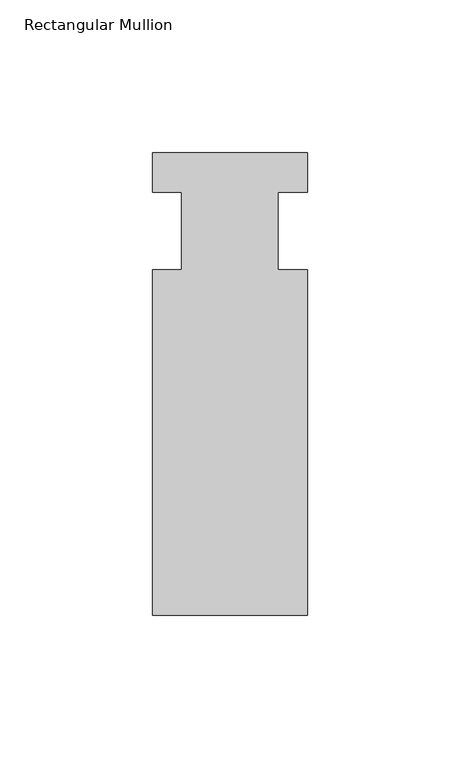
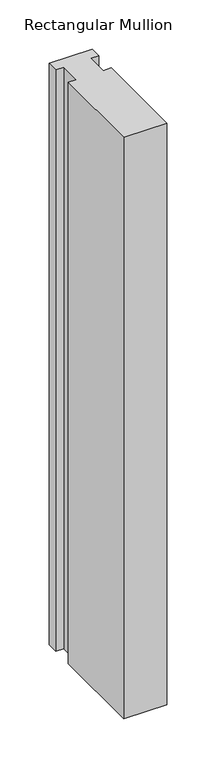
"""IFC4 building model written with IfcOpenShell, lengths in millimetres: member geometry, Rectangular Mullion."""

from ifc_helpers import new_model, si_unit, frame, origin, place, context, project, spatial, polyline, outline, extrude, source, transform, mapped, element, save


def rectangular_mullion_07bcb17e(model_context):
    return source(origin(), model_context, "Body", "SweptSolid", [
        extrude(outline(polyline([(-25.4, 25.796875), (25.4, 25.796875), (25.4, 12.7), (15.875, 12.7), (15.875, -12.7), (25.4, -12.7), (25.4, -125.809375), (-25.4, -125.809375), (-25.4, -12.7), (-15.875, -12.7), (-15.875, 12.7), (-25.4, 12.7), (-25.4, 25.796875)])), frame((0.0, 0.0, -722.3178263), z_axis=(0.0, 0.0, 1.0), x_axis=(1.0, 0.0, 0.0)), (0.0, 0.0, 1.0), 722.3178263),
    ])


if __name__ == "__main__":
    model = new_model("IFC4")
    model_context = context("Model", 3, world=origin())
    ifc_project = project(units=[si_unit("LENGTHUNIT", "METRE", prefix="MILLI")], contexts=[model_context])
    site = spatial("IfcSite", under=ifc_project)
    building = spatial("IfcBuilding", under=site)
    placement = place(None, origin())
    rectangular_mullion_shape = rectangular_mullion_07bcb17e(model_context)
    element("IfcMember", 1, ObjectType="Rectangular Mullion", at=placement, inside=building, context=model_context, shape_type="MappedRepresentation", body=[
        mapped(rectangular_mullion_shape, transform((0.0, 0.0, 0.0), x_axis=(1.0, 0.0, 0.0), y_axis=(0.0, 1.0, 0.0), z_axis=(0.0, 0.0, 1.0))),
    ])
    save(model, "model.ifc")
